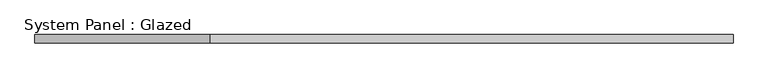
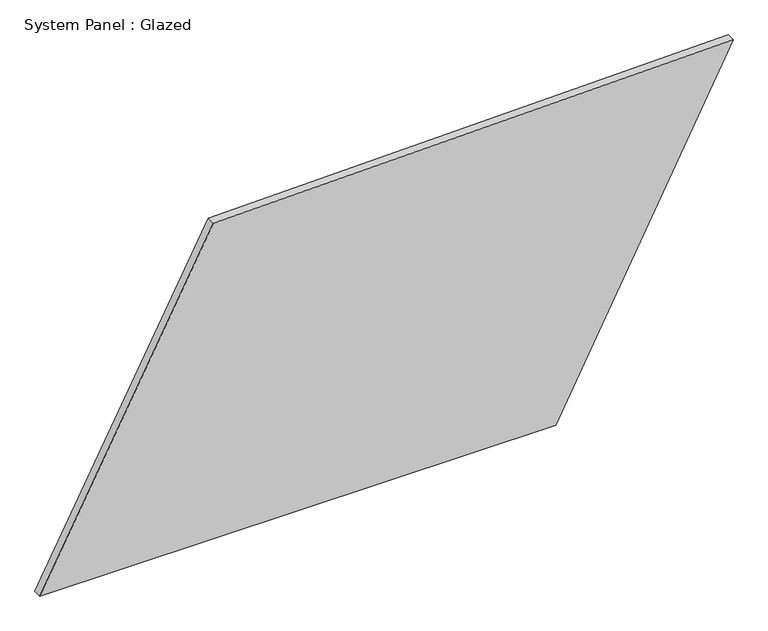
"""IFC4 building model written with IfcOpenShell, lengths in millimetres: plate geometry, System Panel : Glazed."""

import ifcopenshell
import ifcopenshell.guid

model = None  # the IFC model being written
_history = None  # IfcOwnerHistory: only IFC2X3 demands one
_inside = {}  # id of a spatial element -> (the spatial element, [elements in it])
_under = {}  # id of a project, library or spatial element -> (it, [spatial elements below it])
_declared = {}  # id of a project -> (the project, [libraries it declares])
_typed = {}  # id of a type object -> (the type object, [elements of that type])
_made_of = {}  # id of a material, layer set ... -> (it, [elements and type objects made of it])


def new_model(schema):
    """Start an empty IFC model of exactly this schema.

    Asked for "IFC4X3", IfcOpenShell would pick the latest addendum, in which some entities
    have other attributes; the version numbers below select the first issue.
    IFC2X3 requires an IfcOwnerHistory on every rooted entity: one is made here for all.
    """
    global model, _history
    if schema == "IFC4X3":
        model = ifcopenshell.file(schema_version=(4, 3, 0, 0))
    else:
        model = ifcopenshell.file(schema=schema)
    _inside.clear()
    _under.clear()
    _declared.clear()
    _typed.clear()
    _made_of.clear()
    _history = None
    if model.schema == "IFC2X3":
        org = make("IfcOrganization", Name="unknown")
        user = make(
            "IfcPersonAndOrganization",
            ThePerson=make("IfcPerson", FamilyName="unknown"),
            TheOrganization=org,
        )
        app = make(
            "IfcApplication",
            ApplicationDeveloper=org,
            Version="unknown",
            ApplicationFullName="unknown",
            ApplicationIdentifier="unknown",
        )
        _history = make(
            "IfcOwnerHistory",
            OwningUser=user,
            OwningApplication=app,
            ChangeAction="ADDED",
            CreationDate=0,
        )
    return model


def make(cls, **values):
    """One entity of the class cls with the attributes given. An attribute that is None is left unset."""
    return model.create_entity(
        cls, **{name: value for name, value in values.items() if value is not None}
    )


def rooted(cls, **values):
    """An entity with a GlobalId (a new one), such as an element, a storey or a relation."""
    return make(cls, GlobalId=ifcopenshell.guid.new(), OwnerHistory=_history, **values)


def si_unit(unit_type, name, prefix=None):
    """IfcSIUnit, for example si_unit("LENGTHUNIT", "METRE", prefix="MILLI")."""
    return make("IfcSIUnit", UnitType=unit_type, Prefix=prefix, Name=name)


def assignment(units):
    """IfcUnitAssignment: the units of a project."""
    return None if units is None else make("IfcUnitAssignment", Units=units)


def point(xyz):
    """IfcCartesianPoint."""
    return None if xyz is None else make("IfcCartesianPoint", Coordinates=xyz)


def direction(xyz):
    """IfcDirection."""
    return None if xyz is None else make("IfcDirection", DirectionRatios=xyz)


def frame(location, z_axis=None, x_axis=None):
    """IfcAxis2Placement3D, a coordinate frame: its origin and axes. An axis left out is left unset."""
    return make(
        "IfcAxis2Placement3D",
        Location=point(location),
        Axis=direction(z_axis),
        RefDirection=direction(x_axis),
    )


def origin():
    """The frame at (0, 0, 0) with its axes left unset."""
    return frame((0.0, 0.0, 0.0))


def place(relative_to, where):
    """IfcLocalPlacement: puts the frame where relative to a parent placement (None: the world)."""
    return make(
        "IfcLocalPlacement", PlacementRelTo=relative_to, RelativePlacement=where
    )


def context(
    kind, dimensions, precision=None, world=None, true_north=None, identifier=None
):
    """IfcGeometricRepresentationContext, for example the 3D "Model" context."""
    return make(
        "IfcGeometricRepresentationContext",
        ContextIdentifier=identifier,
        ContextType=kind,
        CoordinateSpaceDimension=dimensions,
        Precision=precision,
        WorldCoordinateSystem=world,
        TrueNorth=true_north,
    )


def project(units=None, contexts=None):
    """IfcProject with its units and contexts."""
    return rooted(
        "IfcProject",
        Name="project",
        RepresentationContexts=contexts,
        UnitsInContext=assignment(units),
    )


def spatial(cls, under=None, at=None, **own):
    """A site, building, storey or space (cls), placed at a placement, below another one or the project."""
    s = rooted(cls, ObjectPlacement=at, **own)
    if under is not None:
        _under.setdefault(under.id(), (under, []))[1].append(s)
    return s


def polyline(points):
    """IfcPolyline through the points."""
    return make("IfcPolyline", Points=[point(p) for p in points])


def outline(outer, holes=None, kind="AREA"):
    """IfcArbitraryClosedProfileDef: a profile drawn as a closed curve; with holes, ...WithVoids."""
    if holes is None:
        return make("IfcArbitraryClosedProfileDef", ProfileType=kind, OuterCurve=outer)
    return make(
        "IfcArbitraryProfileDefWithVoids",
        ProfileType=kind,
        OuterCurve=outer,
        InnerCurves=holes,
    )


def extrude(swept, where, along, depth):
    """IfcExtrudedAreaSolid: the profile swept, set in the frame where, extruded along a direction by depth."""
    return make(
        "IfcExtrudedAreaSolid",
        SweptArea=swept,
        Position=where,
        ExtrudedDirection=direction(along),
        Depth=depth,
    )


def shape(context_of_items, identifier, shape_type, items):
    """IfcShapeRepresentation: the items that make up one representation, for example the "Body"."""
    return make(
        "IfcShapeRepresentation",
        ContextOfItems=context_of_items,
        RepresentationIdentifier=identifier,
        RepresentationType=shape_type,
        Items=items,
    )


def source(mapping_origin, context_of_items, identifier, shape_type, items):
    """IfcRepresentationMap: a shape defined once, which mapped items show again and again."""
    return make(
        "IfcRepresentationMap",
        MappingOrigin=mapping_origin,
        MappedRepresentation=shape(context_of_items, identifier, shape_type, items),
    )


def transform(
    local_origin,
    x_axis=None,
    y_axis=None,
    z_axis=None,
    scale=None,
    scale2=None,
    scale3=None,
    uniform=True,
):
    """IfcCartesianTransformationOperator3D, or its non-uniform kind. x_axis, y_axis, z_axis: its Axis1, 2, 3."""
    if uniform:
        return make(
            "IfcCartesianTransformationOperator3D",
            Axis1=direction(x_axis),
            Axis2=direction(y_axis),
            LocalOrigin=point(local_origin),
            Scale=scale,
            Axis3=direction(z_axis),
        )
    return make(
        "IfcCartesianTransformationOperator3DnonUniform",
        Axis1=direction(x_axis),
        Axis2=direction(y_axis),
        LocalOrigin=point(local_origin),
        Scale=scale,
        Axis3=direction(z_axis),
        Scale2=scale2,
        Scale3=scale3,
    )


def mapped(mapping_source, mapping_target):
    """IfcMappedItem: shows the shape of a source again, moved by a transform."""
    return make(
        "IfcMappedItem", MappingSource=mapping_source, MappingTarget=mapping_target
    )


def made_of(thing, what):
    """Note that an element or type object is made of a material, layer set ...; save() writes the relation."""
    if what is not None:
        _made_of.setdefault(what.id(), (what, []))[1].append(thing)
    return thing


def element(
    cls,
    number,
    at=None,
    inside=None,
    cuts=None,
    type_object=None,
    material=None,
    context=None,
    identifier="Body",
    shape_type=None,
    held_by="IfcProductDefinitionShape",
    body=None,
    shapes=None,
    **own,
):
    """One element of the class cls, such as IfcWall. Its Tag is "e" and its number.

    at: its placement. inside: the storey or other place that contains it. cuts: it is an
    opening in that element (IfcRelVoidsElement). A single representation is given by context,
    identifier, shape_type and body (its items); several are given by shapes. held_by: the class
    of the entity that holds the representations. save() writes the other relations.
    """
    e = rooted(cls, Tag="e%d" % number, ObjectPlacement=at, **own)
    if body is not None:
        shapes = [shape(context, identifier, shape_type, body)]
    if shapes is not None:
        e.Representation = make(held_by, Representations=shapes)
    if inside is not None:
        _inside.setdefault(inside.id(), (inside, []))[1].append(e)
    if cuts is not None:
        rooted(
            "IfcRelVoidsElement", RelatingBuildingElement=cuts, RelatedOpeningElement=e
        )
    if type_object is not None:
        _typed.setdefault(type_object.id(), (type_object, []))[1].append(e)
    return made_of(e, material)


def aggregate(whole, parts):
    """IfcRelAggregates: a whole, such as a stair, and the parts it consists of."""
    return rooted("IfcRelAggregates", RelatingObject=whole, RelatedObjects=parts)


def save(model, path):
    """Write the relations noted so far, then the file.

    IfcRelAggregates (storeys below a building ...), IfcRelContainedInSpatialStructure (elements
    in a storey), IfcRelDefinesByType, IfcRelAssociatesMaterial and IfcRelDeclares: one each for
    every whole, place, type object, material and project.
    """
    for whole, parts in _under.values():
        aggregate(whole, parts)
    for where, things in _inside.values():
        rooted(
            "IfcRelContainedInSpatialStructure",
            RelatedElements=things,
            RelatingStructure=where,
        )
    for kind, things in _typed.values():
        rooted("IfcRelDefinesByType", RelatedObjects=things, RelatingType=kind)
    for what, things in _made_of.values():
        rooted("IfcRelAssociatesMaterial", RelatedObjects=things, RelatingMaterial=what)
    for by, libraries in _declared.values():
        rooted("IfcRelDeclares", RelatingContext=by, RelatedDefinitions=libraries)
    model.write(path)


def system_panel_glazed_56f5964d(model_context):
    return source(origin(), model_context, "Body", "SweptSolid", [
        extrude(outline(polyline([(0.0, -1027.5294219), (0.0, 501.8621661), (1023.827251, 1027.5294219), (988.5484734, -513.2371072), (0.0, -1027.5294219)])), frame((0.0, -49.5, 0.0), z_axis=(0.0, 1.0, 0.0), x_axis=(0.0, 0.0, 1.0)), (0.0, 0.0, 1.0), 25.0),
    ])


if __name__ == "__main__":
    model = new_model("IFC4")
    model_context = context("Model", 3, world=origin())
    ifc_project = project(units=[si_unit("LENGTHUNIT", "METRE", prefix="MILLI")], contexts=[model_context])
    site = spatial("IfcSite", under=ifc_project)
    building = spatial("IfcBuilding", under=site)
    placement = place(None, origin())
    system_panel_glazed_shape = system_panel_glazed_56f5964d(model_context)
    element("IfcPlate", 1, ObjectType="System Panel : Glazed", at=placement, inside=building, context=model_context, shape_type="MappedRepresentation", body=[
        mapped(system_panel_glazed_shape, transform((0.0, 0.0, 0.0), x_axis=(1.0, 0.0, 0.0), y_axis=(0.0, 1.0, 0.0), z_axis=(0.0, 0.0, 1.0))),
    ])
    save(model, "model.ifc")
